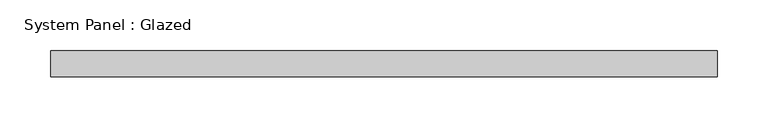
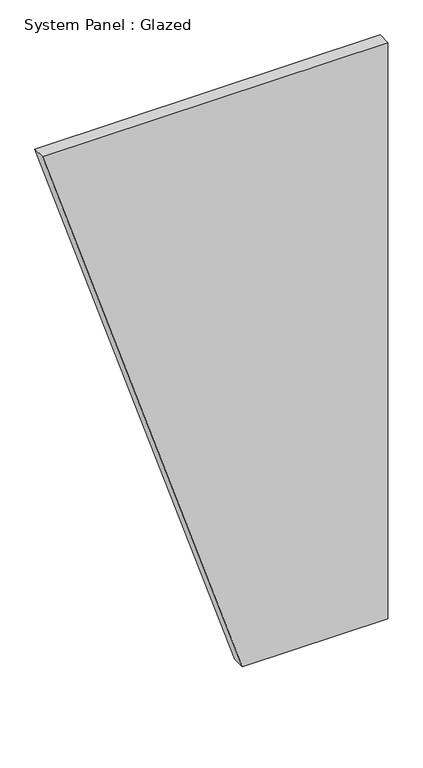
"""IFC4 building model written with IfcOpenShell, lengths in millimetres: plate geometry, System Panel : Glazed."""

from ifc_helpers import new_model, si_unit, frame, origin, place, context, project, spatial, polyline, outline, extrude, source, transform, mapped, element, save


def system_panel_glazed_3e8448e9(model_context):
    return source(origin(), model_context, "Body", "SweptSolid", [
        extrude(outline(polyline([(0.0, 51.479157), (0.0, 327.4247212), (1155.7, 327.4247212), (1155.7, -327.4247212), (0.0, 51.479157)])), frame((0.0, -44.45, 0.0), z_axis=(0.0, 1.0, 0.0), x_axis=(0.0, 0.0, 1.0)), (0.0, 0.0, 1.0), 25.4),
    ])


if __name__ == "__main__":
    model = new_model("IFC4")
    model_context = context("Model", 3, world=origin())
    ifc_project = project(units=[si_unit("LENGTHUNIT", "METRE", prefix="MILLI")], contexts=[model_context])
    site = spatial("IfcSite", under=ifc_project)
    building = spatial("IfcBuilding", under=site)
    placement = place(None, origin())
    system_panel_glazed_shape = system_panel_glazed_3e8448e9(model_context)
    element("IfcPlate", 1, ObjectType="System Panel : Glazed", at=placement, inside=building, context=model_context, shape_type="MappedRepresentation", body=[
        mapped(system_panel_glazed_shape, transform((0.0, 0.0, 0.0), x_axis=(1.0, 0.0, 0.0), y_axis=(0.0, 1.0, 0.0), z_axis=(0.0, 0.0, 1.0))),
    ])
    save(model, "model.ifc")
